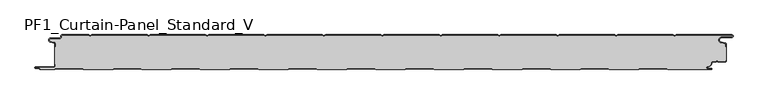
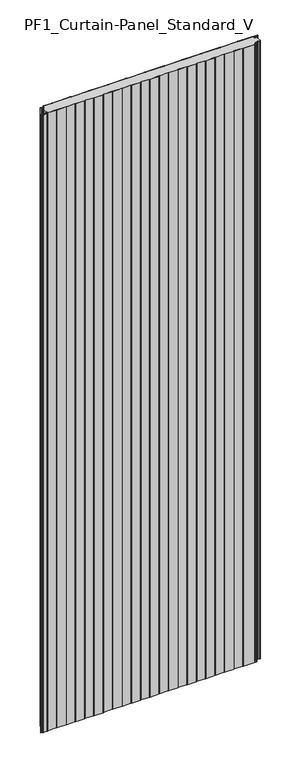
"""IFC4 building model written with IfcOpenShell, lengths in millimetres: plate geometry, PF1_Curtain-Panel_Standard_V."""

from ifc_helpers import new_model, si_unit, point, frame_2d, origin, origin_with_axes, place, context, project, spatial, polyline, circle_curve, trimmed, segment, composite_curve, outline, extrude, source, transform, mapped, element, save


def pf1_curtain_panel_standard_v_16763024(model_context):
    return source(origin(), model_context, "Body", "SweptSolid", [
        extrude(outline(composite_curve([segment(trimmed(circle_curve(frame_2d((-577.0, -15.878557)), 2.0), [point((-575.0, -15.878557))], [point((-576.5500978, -13.9298169))], True, "CARTESIAN"), True, "CONTINUOUS"), segment(polyline([(-576.5500978, -13.9298169), (-582.7098239, -12.507732)]), True, "CONTINUOUS"), segment(trimmed(circle_curve(frame_2d((-581.9, -9.0)), 3.6), [point((-582.7098239, -12.507732))], [point((-581.9, -5.4))], False, "CARTESIAN"), True, "CONTINUOUS"), segment(polyline([(-581.9, -5.4), (-566.4, -5.4)]), True, "CONTINUOUS"), segment(trimmed(circle_curve(frame_2d((-566.4, -3.4)), 2.0), [point((-566.4, -5.4))], [point((-564.4, -3.4))], True, "CARTESIAN"), True, "CONTINUOUS"), segment(polyline([(-564.4, -3.4), (-564.4, -2.0)]), True, "CONTINUOUS"), segment(trimmed(circle_curve(frame_2d((-562.4, -2.0)), 2.0), [point((-564.4, -2.0))], [point((-562.4, 0.0))], False, "CARTESIAN"), True, "CONTINUOUS"), segment(polyline([(-562.4, 0.0), (-517.0999995, 0.0), (-514.4, -1.5588455), (-511.7000005, 0.0), (-417.0999995, 0.0), (-414.4, -1.5588455), (-411.7000005, 0.0), (-317.0999995, 0.0), (-314.4, -1.5588455), (-311.7000005, 0.0), (-217.0999995, 0.0), (-214.4, -1.5588455), (-211.7000005, 0.0), (-117.0999995, 0.0), (-114.4, -1.5588455), (-111.7000005, 0.0), (-17.0999995, 0.0), (-14.4, -1.5588455), (-11.7000005, 0.0), (82.9000005, 0.0), (85.6, -1.5588455), (88.2999995, 0.0), (182.9000005, 0.0), (185.6, -1.5588455), (188.2999995, 0.0), (282.9000005, 0.0), (285.6, -1.5588455), (288.2999995, 0.0), (382.9000005, 0.0), (385.6, -1.5588455), (388.2999995, 0.0), (482.9000005, 0.0), (485.6, -1.5588455), (488.2999995, 0.0), (583.268846, 0.0)]), True, "CONTINUOUS"), segment(trimmed(circle_curve(frame_2d((583.268846, -2.5)), 2.5), [point((583.268846, 0.0))], [point((583.268846, -5.0))], False, "CARTESIAN"), True, "CONTINUOUS"), segment(polyline([(583.268846, -5.0), (566.268846, -5.0)]), True, "CONTINUOUS"), segment(trimmed(circle_curve(frame_2d((566.268846, -9.0)), 4.0), [point((566.268846, -5.0))], [point((565.574253, -12.939231))], True, "CARTESIAN"), True, "CONTINUOUS"), segment(polyline([(565.574253, -12.939231), (572.0203315, -14.0758491)]), True, "CONTINUOUS"), segment(trimmed(circle_curve(frame_2d((571.568846, -16.6363492)), 2.6), [point((572.0203315, -14.0758491))], [point((574.168846, -16.6363492))], False, "CARTESIAN"), True, "CONTINUOUS"), segment(polyline([(574.168846, -16.6363492), (574.168846, -20.0), (573.368846, -20.0), (573.368846, -16.6363492)]), True, "CONTINUOUS"), segment(trimmed(circle_curve(frame_2d((571.568846, -16.6363492)), 1.8), [point((573.368846, -16.6363492))], [point((571.8814129, -14.8636953))], True, "CARTESIAN"), True, "CONTINUOUS"), segment(polyline([(571.8814129, -14.8636953), (565.4353344, -13.7270772)]), True, "CONTINUOUS"), segment(trimmed(circle_curve(frame_2d((566.268846, -9.0)), 4.8), [point((565.4353344, -13.7270772))], [point((566.268846, -4.2))], False, "CARTESIAN"), True, "CONTINUOUS"), segment(polyline([(566.268846, -4.2), (583.268846, -4.2)]), True, "CONTINUOUS"), segment(trimmed(circle_curve(frame_2d((583.268846, -2.5)), 1.7), [point((583.268846, -4.2))], [point((583.268846, -0.8))], True, "CARTESIAN"), True, "CONTINUOUS"), segment(polyline([(583.268846, -0.8), (488.5143588, -0.8), (485.6, -2.482606), (482.6856412, -0.8), (388.5143588, -0.8), (385.6, -2.482606), (382.6856412, -0.8), (288.5143588, -0.8), (285.6, -2.482606), (282.6856412, -0.8), (188.5143588, -0.8), (185.6, -2.482606), (182.6856412, -0.8), (88.5143588, -0.8), (85.6, -2.482606), (82.6856412, -0.8), (-11.4856412, -0.8), (-14.4, -2.482606), (-17.3143588, -0.8), (-111.4856412, -0.8), (-114.4, -2.482606), (-117.3143588, -0.8), (-211.4856412, -0.8), (-214.4, -2.482606), (-217.3143588, -0.8), (-311.4856412, -0.8), (-314.4, -2.482606), (-317.3143588, -0.8), (-411.4856412, -0.8), (-414.4, -2.482606), (-417.3143588, -0.8), (-511.4856412, -0.8), (-514.4, -2.482606), (-517.3143588, -0.8), (-562.4, -0.8)]), True, "CONTINUOUS"), segment(trimmed(circle_curve(frame_2d((-562.4, -2.0)), 1.2), [point((-562.4, -0.8))], [point((-563.6, -2.0))], True, "CARTESIAN"), True, "CONTINUOUS"), segment(polyline([(-563.6, -2.0), (-563.6, -3.4)]), True, "CONTINUOUS"), segment(trimmed(circle_curve(frame_2d((-566.4, -3.4)), 2.8), [point((-563.6, -3.4))], [point((-566.4, -6.2))], False, "CARTESIAN"), True, "CONTINUOUS"), segment(polyline([(-566.4, -6.2), (-581.9, -6.2)]), True, "CONTINUOUS"), segment(trimmed(circle_curve(frame_2d((-581.9, -9.0)), 2.8), [point((-581.9, -6.2))], [point((-582.529863, -11.7282362))], True, "CARTESIAN"), True, "CONTINUOUS"), segment(polyline([(-582.529863, -11.7282362), (-576.370137, -13.150321)]), True, "CONTINUOUS"), segment(trimmed(circle_curve(frame_2d((-577.0, -15.878557)), 2.8), [point((-576.370137, -13.150321))], [point((-574.2, -15.878557))], False, "CARTESIAN"), True, "CONTINUOUS"), segment(polyline([(-574.2, -15.878557), (-574.2, -20.0), (-575.0, -20.0), (-575.0, -15.878557)]), True, "CONTINUOUS")], self_intersect=False)), origin_with_axes(), (0.0, 0.0, 1.0), 3500.0),
        extrude(outline(composite_curve([segment(polyline([(-574.2, -50.0), (-575.0, -50.0), (-575.0, -20.0), (-574.2, -20.0), (-574.2, -15.878557)]), True, "CONTINUOUS"), segment(trimmed(circle_curve(frame_2d((-577.0, -15.878557)), 2.8), [point((-574.2, -15.878557))], [point((-576.370137, -13.1503208))], True, "CARTESIAN"), True, "CONTINUOUS"), segment(polyline([(-576.370137, -13.1503208), (-582.529863, -11.7282362)]), True, "CONTINUOUS"), segment(trimmed(circle_curve(frame_2d((-581.9, -9.0)), 2.8), [point((-582.529863, -11.7282362))], [point((-581.9, -6.2))], False, "CARTESIAN"), True, "CONTINUOUS"), segment(polyline([(-581.9, -6.2), (-566.4, -6.2)]), True, "CONTINUOUS"), segment(trimmed(circle_curve(frame_2d((-566.4, -3.4)), 2.8), [point((-566.4, -6.2))], [point((-563.6, -3.4))], True, "CARTESIAN"), True, "CONTINUOUS"), segment(polyline([(-563.6, -3.4), (-563.6, -2.0)]), True, "CONTINUOUS"), segment(trimmed(circle_curve(frame_2d((-562.4, -2.0)), 1.2), [point((-563.6, -2.0))], [point((-562.4, -0.8))], False, "CARTESIAN"), True, "CONTINUOUS"), segment(polyline([(-562.4, -0.8), (-517.3143588, -0.8), (-514.4, -2.482606), (-511.4856412, -0.8), (-417.3143588, -0.8), (-414.4, -2.482606), (-411.4856412, -0.8), (-317.3143588, -0.8), (-314.4, -2.482606), (-311.4856412, -0.8), (-217.3143588, -0.8), (-214.4, -2.482606), (-211.4856412, -0.8), (-117.3143588, -0.8), (-114.4, -2.482606), (-111.4856412, -0.8), (-17.3143588, -0.8), (-14.4, -2.482606), (-11.4856412, -0.8), (82.6856412, -0.8), (85.6, -2.482606), (88.5143588, -0.8), (182.6856412, -0.8), (185.6, -2.482606), (188.5143588, -0.8), (282.6856412, -0.8), (285.6, -2.482606), (288.5143588, -0.8), (382.6856412, -0.8), (385.6, -2.482606), (388.5143588, -0.8), (482.6856412, -0.8), (485.6, -2.482606), (488.5143588, -0.8), (583.268846, -0.8)]), True, "CONTINUOUS"), segment(trimmed(circle_curve(frame_2d((583.268846, -2.5)), 1.7), [point((583.268846, -0.8))], [point((583.268846, -4.2))], False, "CARTESIAN"), True, "CONTINUOUS"), segment(polyline([(583.268846, -4.2), (566.268846, -4.2)]), True, "CONTINUOUS"), segment(trimmed(circle_curve(frame_2d((566.268846, -9.0)), 4.8), [point((566.268846, -4.2))], [point((565.4353344, -13.7270772))], True, "CARTESIAN"), True, "CONTINUOUS"), segment(polyline([(565.4353344, -13.7270772), (571.8814129, -14.8636953)]), True, "CONTINUOUS"), segment(trimmed(circle_curve(frame_2d((571.568846, -16.6363492)), 1.8), [point((571.8814129, -14.8636953))], [point((573.368846, -16.6363492))], False, "CARTESIAN"), True, "CONTINUOUS"), segment(polyline([(573.368846, -16.6363492), (573.368846, -20.0), (574.168846, -20.0), (574.168846, -43.0), (573.368846, -43.0), (573.368846, -44.4)]), True, "CONTINUOUS"), segment(trimmed(circle_curve(frame_2d((571.568846, -44.4)), 1.8), [point((573.368846, -44.4))], [point((571.568846, -46.2))], False, "CARTESIAN"), True, "CONTINUOUS"), segment(polyline([(571.568846, -46.2), (560.0002158, -46.2), (558.168846, -44.3686285), (556.3374762, -46.2), (550.168846, -46.2)]), True, "CONTINUOUS"), segment(trimmed(circle_curve(frame_2d((550.168846, -48.0)), 1.8), [point((550.168846, -46.2))], [point((548.368846, -48.0))], True, "CARTESIAN"), True, "CONTINUOUS"), segment(polyline([(548.368846, -48.0), (548.368846, -48.8276204)]), True, "CONTINUOUS"), segment(trimmed(circle_curve(frame_2d((542.9964664, -48.8276204)), 5.3723796), [point((548.368846, -48.8276204))], [point((542.9964664, -54.2))], False, "CARTESIAN"), True, "CONTINUOUS"), segment(polyline([(542.9964664, -54.2), (542.168846, -54.2)]), True, "CONTINUOUS"), segment(trimmed(circle_curve(frame_2d((542.168846, -56.4)), 2.2), [point((542.168846, -54.2))], [point((542.168846, -58.6))], True, "CARTESIAN"), True, "CONTINUOUS"), segment(polyline([(542.168846, -58.6), (548.0579973, -58.6)]), True, "CONTINUOUS"), segment(trimmed(circle_curve(frame_2d((548.0579973, -58.9)), 0.3), [point((548.0579973, -58.6))], [point((548.0579973, -59.2))], False, "CARTESIAN"), True, "CONTINUOUS"), segment(polyline([(548.0579973, -59.2), (474.2152562, -59.2), (471.6171786, -57.7), (426.3884624, -57.7), (423.7903848, -59.2), (374.2152562, -59.2), (371.6171786, -57.7), (326.3884624, -57.7), (323.7903848, -59.2), (274.2152562, -59.2), (271.6171786, -57.7), (226.3884624, -57.7), (223.7903848, -59.2), (174.2152562, -59.2), (171.6171786, -57.7), (126.3884624, -57.7), (123.7903848, -59.2), (74.2152562, -59.2), (71.6171786, -57.7), (26.3884624, -57.7), (23.7903848, -59.2), (-25.7847438, -59.2), (-28.3828214, -57.7), (-73.6115376, -57.7), (-76.2096152, -59.2), (-125.7847438, -59.2), (-128.3828214, -57.7), (-173.6115376, -57.7), (-176.2096152, -59.2), (-225.7847438, -59.2), (-228.3828214, -57.7), (-273.6115376, -57.7), (-276.2096152, -59.2), (-325.7847438, -59.2), (-328.3828214, -57.7), (-373.6115376, -57.7), (-376.2096152, -59.2), (-425.7847438, -59.2), (-428.3828214, -57.7), (-473.6115376, -57.7), (-476.2096152, -59.2), (-525.7847438, -59.2), (-528.3828214, -57.7), (-573.6115376, -57.7), (-576.2096152, -59.2), (-599.4, -59.2)]), True, "CONTINUOUS"), segment(trimmed(circle_curve(frame_2d((-599.4, -58.4)), 0.8), [point((-599.4, -59.2))], [point((-600.2, -58.4))], False, "CARTESIAN"), True, "CONTINUOUS"), segment(trimmed(circle_curve(frame_2d((-601.9, -58.6133333)), 1.7133333), [point((-600.2, -58.4))], [point((-601.9, -56.9))], True, "CARTESIAN"), True, "CONTINUOUS"), segment(polyline([(-601.9, -56.9), (-607.8700312, -56.9)]), True, "CONTINUOUS"), segment(trimmed(circle_curve(frame_2d((-607.8700312, -56.6)), 0.3), [point((-607.8700312, -56.9))], [point((-607.8700312, -56.3))], False, "CARTESIAN"), True, "CONTINUOUS"), segment(polyline([(-607.8700312, -56.3), (-577.0, -56.3)]), True, "CONTINUOUS"), segment(trimmed(circle_curve(frame_2d((-577.0, -53.5)), 2.8), [point((-577.0, -56.3))], [point((-574.2, -53.5))], True, "CARTESIAN"), True, "CONTINUOUS"), segment(polyline([(-574.2, -53.5), (-574.2, -50.0)]), True, "CONTINUOUS")], self_intersect=False)), origin_with_axes(), (0.0, 0.0, 1.0), 3500.0),
        extrude(outline(composite_curve([segment(polyline([(-575.0, -50.0), (-574.2, -50.0), (-574.2, -53.5)]), True, "CONTINUOUS"), segment(trimmed(circle_curve(frame_2d((-577.0, -53.5)), 2.8), [point((-574.2, -53.5))], [point((-577.0, -56.3))], False, "CARTESIAN"), True, "CONTINUOUS"), segment(polyline([(-577.0, -56.3), (-607.8700312, -56.3)]), True, "CONTINUOUS"), segment(trimmed(circle_curve(frame_2d((-607.8700312, -56.6)), 0.3), [point((-607.8700312, -56.3))], [point((-607.8700312, -56.9))], True, "CARTESIAN"), True, "CONTINUOUS"), segment(polyline([(-607.8700312, -56.9), (-601.9, -56.9)]), True, "CONTINUOUS"), segment(trimmed(circle_curve(frame_2d((-601.9, -58.6133333)), 1.7133333), [point((-601.9, -56.9))], [point((-600.2, -58.4))], False, "CARTESIAN"), True, "CONTINUOUS"), segment(trimmed(circle_curve(frame_2d((-599.4, -58.4)), 0.8), [point((-600.2, -58.4))], [point((-599.4, -59.2))], True, "CARTESIAN"), True, "CONTINUOUS"), segment(polyline([(-599.4, -59.2), (-576.2096152, -59.2), (-573.6115376, -57.7), (-528.3828214, -57.7), (-525.7847438, -59.2), (-476.2096152, -59.2), (-473.6115376, -57.7), (-428.3828214, -57.7), (-425.7847438, -59.2), (-376.2096152, -59.2), (-373.6115376, -57.7), (-328.3828214, -57.7), (-325.7847438, -59.2), (-276.2096152, -59.2), (-273.6115376, -57.7), (-228.3828214, -57.7), (-225.7847438, -59.2), (-176.2096152, -59.2), (-173.6115376, -57.7), (-128.3828214, -57.7), (-125.7847438, -59.2), (-76.2096152, -59.2), (-73.6115376, -57.7), (-28.3828214, -57.7), (-25.7847438, -59.2), (23.7903848, -59.2), (26.3884624, -57.7), (71.6171786, -57.7), (74.2152562, -59.2), (123.7903848, -59.2), (126.3884624, -57.7), (171.6171786, -57.7), (174.2152562, -59.2), (223.7903848, -59.2), (226.3884624, -57.7), (271.6171786, -57.7), (274.2152562, -59.2), (323.7903848, -59.2), (326.3884624, -57.7), (371.6171786, -57.7), (374.2152562, -59.2), (423.7903848, -59.2), (426.3884624, -57.7), (471.6171786, -57.7), (474.2152562, -59.2), (548.0579973, -59.2)]), True, "CONTINUOUS"), segment(trimmed(circle_curve(frame_2d((548.0579973, -58.9)), 0.3), [point((548.0579973, -59.2))], [point((548.0579973, -58.6))], True, "CARTESIAN"), True, "CONTINUOUS"), segment(polyline([(548.0579973, -58.6), (542.168846, -58.6)]), True, "CONTINUOUS"), segment(trimmed(circle_curve(frame_2d((542.168846, -56.4)), 2.2), [point((542.168846, -58.6))], [point((542.168846, -54.2))], False, "CARTESIAN"), True, "CONTINUOUS"), segment(polyline([(542.168846, -54.2), (542.9964664, -54.2)]), True, "CONTINUOUS"), segment(trimmed(circle_curve(frame_2d((542.9964664, -48.8276204)), 5.3723796), [point((542.9964664, -54.2))], [point((548.368846, -48.8276204))], True, "CARTESIAN"), True, "CONTINUOUS"), segment(polyline([(548.368846, -48.8276204), (548.368846, -48.0)]), True, "CONTINUOUS"), segment(trimmed(circle_curve(frame_2d((550.168846, -48.0)), 1.8), [point((548.368846, -48.0))], [point((550.168846, -46.2))], False, "CARTESIAN"), True, "CONTINUOUS"), segment(polyline([(550.168846, -46.2), (556.3374762, -46.2), (558.168846, -44.3686285), (560.0002158, -46.2), (571.568846, -46.2)]), True, "CONTINUOUS"), segment(trimmed(circle_curve(frame_2d((571.568846, -44.4)), 1.8), [point((571.568846, -46.2))], [point((573.368846, -44.4))], True, "CARTESIAN"), True, "CONTINUOUS"), segment(polyline([(573.368846, -44.4), (573.368846, -43.0), (574.168846, -43.0), (574.168846, -44.4)]), True, "CONTINUOUS"), segment(trimmed(circle_curve(frame_2d((571.568846, -44.4)), 2.6), [point((574.168846, -44.4))], [point((571.568846, -47.0))], False, "CARTESIAN"), True, "CONTINUOUS"), segment(polyline([(571.568846, -47.0), (559.6688448, -47.0), (558.168846, -45.4999999), (556.6688472, -47.0), (550.168846, -47.0)]), True, "CONTINUOUS"), segment(trimmed(circle_curve(frame_2d((550.168846, -48.0)), 1.0), [point((550.168846, -47.0))], [point((549.168846, -48.0))], True, "CARTESIAN"), True, "CONTINUOUS"), segment(polyline([(549.168846, -48.0), (549.168846, -48.8276204)]), True, "CONTINUOUS"), segment(trimmed(circle_curve(frame_2d((542.9964664, -48.8276204)), 6.1723796), [point((549.168846, -48.8276204))], [point((542.9964664, -55.0))], False, "CARTESIAN"), True, "CONTINUOUS"), segment(polyline([(542.9964664, -55.0), (542.168846, -55.0)]), True, "CONTINUOUS"), segment(trimmed(circle_curve(frame_2d((542.168846, -56.5)), 1.5), [point((542.168846, -55.0))], [point((542.168846, -58.0))], True, "CARTESIAN"), True, "CONTINUOUS"), segment(polyline([(542.168846, -58.0), (548.168846, -58.0)]), True, "CONTINUOUS"), segment(trimmed(circle_curve(frame_2d((548.168846, -59.0)), 1.0), [point((548.168846, -58.0))], [point((548.168846, -60.0))], False, "CARTESIAN"), True, "CONTINUOUS"), segment(polyline([(548.168846, -60.0), (474.0008969, -60.0), (471.4028193, -58.5), (426.6028217, -58.5), (424.0047441, -60.0), (374.0008969, -60.0), (371.4028193, -58.5), (326.6028217, -58.5), (324.0047441, -60.0), (274.0008969, -60.0), (271.4028193, -58.5), (226.6028217, -58.5), (224.0047441, -60.0), (174.0008969, -60.0), (171.4028193, -58.5), (126.6028217, -58.5), (124.0047441, -60.0), (74.0008969, -60.0), (71.4028193, -58.5), (26.6028217, -58.5), (24.0047441, -60.0), (-25.9991031, -60.0), (-28.5971807, -58.5), (-73.3971783, -58.5), (-75.9952559, -60.0), (-125.9991031, -60.0), (-128.5971807, -58.5), (-173.3971783, -58.5), (-175.9952559, -60.0), (-225.9991031, -60.0), (-228.5971807, -58.5), (-273.3971783, -58.5), (-275.9952559, -60.0), (-325.9991031, -60.0), (-328.5971807, -58.5), (-373.3971783, -58.5), (-375.9952559, -60.0), (-425.9991031, -60.0), (-428.5971807, -58.5), (-473.3971783, -58.5), (-475.9952559, -60.0), (-525.9991031, -60.0), (-528.5971807, -58.5), (-573.3971783, -58.5), (-575.9952559, -60.0), (-599.4, -60.0)]), True, "CONTINUOUS"), segment(trimmed(circle_curve(frame_2d((-599.4, -58.4)), 1.6), [point((-599.4, -60.0))], [point((-601.0, -58.4))], False, "CARTESIAN"), True, "CONTINUOUS"), segment(trimmed(circle_curve(frame_2d((-601.9, -58.4)), 0.9), [point((-601.0, -58.4))], [point((-601.9, -57.5))], True, "CARTESIAN"), True, "CONTINUOUS"), segment(polyline([(-601.9, -57.5), (-608.0, -57.5)]), True, "CONTINUOUS"), segment(trimmed(circle_curve(frame_2d((-608.0, -56.5)), 1.0), [point((-608.0, -57.5))], [point((-608.0, -55.5))], False, "CARTESIAN"), True, "CONTINUOUS"), segment(polyline([(-608.0, -55.5), (-577.0, -55.5)]), True, "CONTINUOUS"), segment(trimmed(circle_curve(frame_2d((-577.0, -53.5)), 2.0), [point((-577.0, -55.5))], [point((-575.0, -53.5))], True, "CARTESIAN"), True, "CONTINUOUS"), segment(polyline([(-575.0, -53.5), (-575.0, -50.0)]), True, "CONTINUOUS")], self_intersect=False)), origin_with_axes(), (0.0, 0.0, 1.0), 3500.0),
    ])


if __name__ == "__main__":
    model = new_model("IFC4")
    model_context = context("Model", 3, world=origin())
    ifc_project = project(units=[si_unit("LENGTHUNIT", "METRE", prefix="MILLI")], contexts=[model_context])
    site = spatial("IfcSite", under=ifc_project)
    building = spatial("IfcBuilding", under=site)
    placement = place(None, origin())
    pf1_curtain_panel_standard_v_shape = pf1_curtain_panel_standard_v_16763024(model_context)
    element("IfcPlate", 1, ObjectType="PF1_Curtain-Panel_Standard_V", at=placement, inside=building, context=model_context, shape_type="MappedRepresentation", body=[
        mapped(pf1_curtain_panel_standard_v_shape, transform((0.0, 0.0, 0.0), x_axis=(1.0, 0.0, 0.0), y_axis=(0.0, 1.0, 0.0), z_axis=(0.0, 0.0, 1.0))),
    ])
    save(model, "model.ifc")
